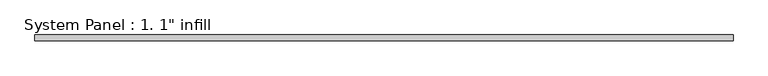
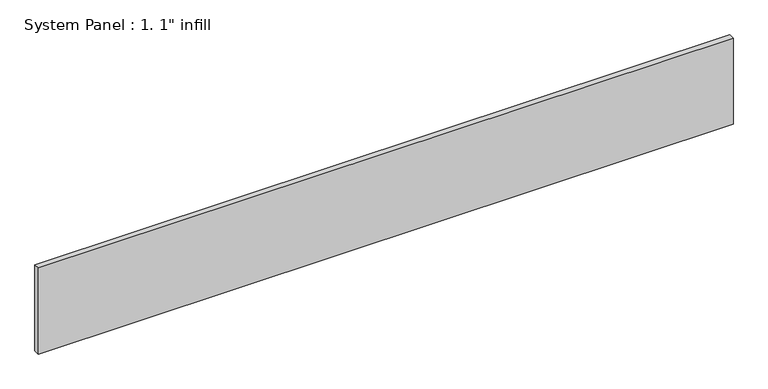
"""IFC4 building model written with IfcOpenShell, lengths in millimetres: plate geometry."""

from ifc_helpers import new_model, si_unit, origin, origin_with_axes, place, context, project, spatial, polyline, outline, extrude, source, transform, mapped, element, save


def plate_9e9f7f4f(model_context):
    return source(origin(), model_context, "Body", "SweptSolid", [
        extrude(outline(polyline([(1524.0, -12.7), (-1524.0, -12.7), (-1524.0, 12.7), (1524.0, 12.7), (1524.0, -12.7)])), origin_with_axes(), (0.0, 0.0, 1.0), 399.9898649),
    ])


if __name__ == "__main__":
    model = new_model("IFC4")
    model_context = context("Model", 3, world=origin())
    ifc_project = project(units=[si_unit("LENGTHUNIT", "METRE", prefix="MILLI")], contexts=[model_context])
    site = spatial("IfcSite", under=ifc_project)
    building = spatial("IfcBuilding", under=site)
    placement = place(None, origin())
    plate_shape = plate_9e9f7f4f(model_context)
    element("IfcPlate", 1, ObjectType="System Panel : 1. 1\" infill", at=placement, inside=building, context=model_context, shape_type="MappedRepresentation", body=[
        mapped(plate_shape, transform((0.0, 0.0, 0.0), x_axis=(1.0, 0.0, 0.0), y_axis=(0.0, 1.0, 0.0), z_axis=(0.0, 0.0, 1.0))),
    ])
    save(model, "model.ifc")
